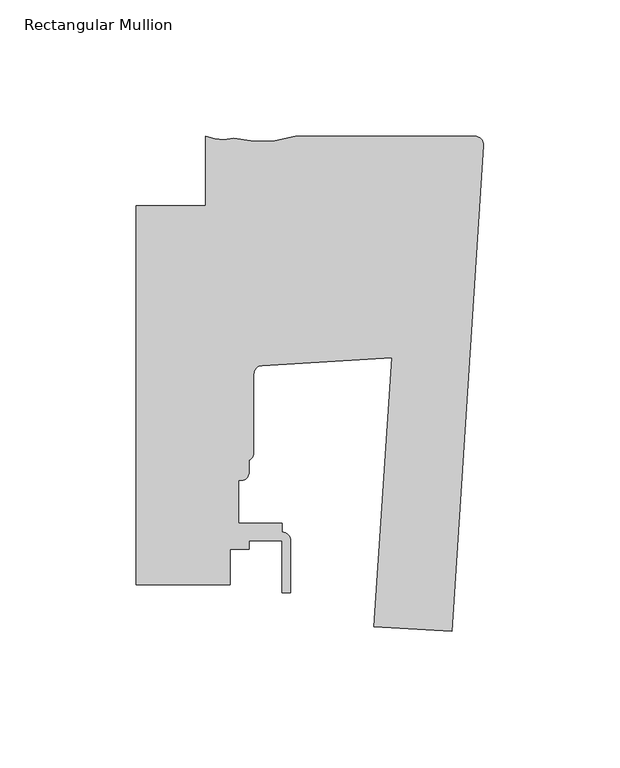
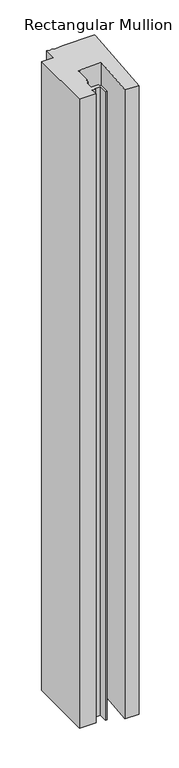
"""IFC4 building model written with IfcOpenShell, lengths in millimetres: member geometry, Rectangular Mullion."""

from ifc_helpers import new_model, si_unit, point, frame, frame_2d, origin, place, context, project, spatial, polyline, circle_curve, trimmed, segment, composite_curve, outline, extrude, source, transform, mapped, element, save


def rectangular_mullion_18004a51(model_context):
    return source(origin(), model_context, "Body", "SweptSolid", [
        extrude(outline(composite_curve([segment(polyline([(-11.5383887, -101.9543978), (-40.1652502, -100.4541276), (-33.647817, -1.7802059), (-81.3507626, -4.6233837)]), True, "CONTINUOUS"), segment(trimmed(circle_curve(frame_2d((-81.1875559, -7.7941862)), 3.175), [point((-81.3507626, -4.6233837))], [point((-84.3625559, -7.7941862))], True, "CARTESIAN"), True, "CONTINUOUS"), segment(polyline([(-84.3625559, -7.7941862), (-84.3625559, -36.5056734)]), True, "CONTINUOUS"), segment(trimmed(circle_curve(frame_2d((-87.5375559, -36.5056734)), 3.175), [point((-84.3625559, -36.5056734))], [point((-86.1405562, -39.3568165))], False, "CARTESIAN"), True, "CONTINUOUS"), segment(polyline([(-86.1405562, -39.3568165), (-86.1405562, -44.0877613)]), True, "CONTINUOUS"), segment(trimmed(circle_curve(frame_2d((-88.6805561, -44.0877613)), 2.5399999), [point((-86.1405562, -44.0877613))], [point((-88.6805561, -46.6277613))], False, "CARTESIAN"), True, "CONTINUOUS"), segment(polyline([(-88.6805561, -46.6277613), (-89.8235559, -46.6277613), (-89.8235559, -62.5027613), (-73.9485559, -62.5027613), (-73.9485559, -65.6777787)]), True, "CONTINUOUS"), segment(trimmed(circle_curve(frame_2d((-73.9380354, -68.8527613)), 3.175), [point((-73.9485559, -65.6777787))], [point((-70.7630354, -68.8527613))], False, "CARTESIAN"), True, "CONTINUOUS"), segment(polyline([(-70.7630354, -68.8527613), (-70.7630354, -87.9027612), (-73.9380354, -87.9027612), (-73.9380354, -68.8527613), (-86.1405562, -68.8527613), (-86.1405562, -72.0277613), (-92.9985559, -72.0277613), (-92.9985559, -85.0715605), (-127.4896668, -85.0715605), (-127.4896668, 54.119987), (-102.08978, 54.1205042), (-102.08978, 79.5204395)]), True, "CONTINUOUS"), segment(trimmed(circle_curve(frame_2d((-95.8348398, 95.0535195)), 16.7451739), [point((-102.08978, 79.5204395))], [point((-91.8088828, 78.7995194))], True, "CARTESIAN"), True, "CONTINUOUS"), segment(trimmed(circle_curve(frame_2d((-81.6714448, 120.5355614)), 42.9495617), [point((-91.8088828, 78.7995194))], [point((-68.9268525, 79.5204395))], True, "CARTESIAN"), True, "CONTINUOUS"), segment(polyline([(-68.9268525, 79.5204395), (-3.175, 79.5204395)]), True, "CONTINUOUS"), segment(trimmed(circle_curve(frame_2d((-3.175, 76.3454395)), 3.175), [point((-3.175, 79.5204395))], [point((-0.006635, 76.1402857))], False, "CARTESIAN"), True, "CONTINUOUS"), segment(polyline([(-0.006635, 76.1402857), (-11.5383887, -101.9543978)]), True, "CONTINUOUS")], self_intersect=False)), frame((0.0, 0.0, -1409.4831251), z_axis=(0.0, 0.0, 1.0), x_axis=(1.0, 0.0, 0.0)), (0.0, 0.0, 1.0), 1409.4831251),
    ])


if __name__ == "__main__":
    model = new_model("IFC4")
    model_context = context("Model", 3, world=origin())
    ifc_project = project(units=[si_unit("LENGTHUNIT", "METRE", prefix="MILLI")], contexts=[model_context])
    site = spatial("IfcSite", under=ifc_project)
    building = spatial("IfcBuilding", under=site)
    placement = place(None, origin())
    rectangular_mullion_shape = rectangular_mullion_18004a51(model_context)
    element("IfcMember", 1, ObjectType="Rectangular Mullion", at=placement, inside=building, context=model_context, shape_type="MappedRepresentation", body=[
        mapped(rectangular_mullion_shape, transform((0.0, 0.0, 0.0), x_axis=(1.0, 0.0, 0.0), y_axis=(0.0, 1.0, 0.0), z_axis=(0.0, 0.0, 1.0))),
    ])
    save(model, "model.ifc")
